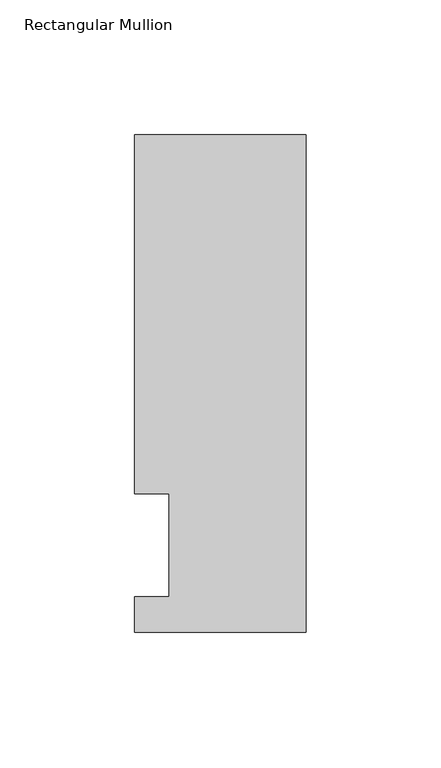
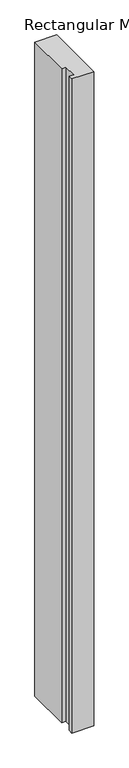
"""IFC4 building model written with IfcOpenShell, lengths in millimetres: member geometry, Rectangular Mullion."""

from ifc_helpers import new_model, si_unit, frame, origin, place, context, project, spatial, polyline, outline, extrude, source, transform, mapped, element, save


def rectangular_mullion_c94ba3d2(model_context):
    return source(origin(), model_context, "Body", "SweptSolid", [
        extrude(outline(polyline([(-19.05, 51.2960937), (-31.7500001, 51.2960938), (-31.7500001, 184.2396936), (31.7500001, 184.2396936), (31.7500001, 0.0134938), (-31.75, 0.0134938), (-31.75, 13.1960938), (-19.05, 13.1960938), (-19.05, 51.2960937)])), frame((0.0, 0.0, -1993.8872996), z_axis=(0.0, 0.0, 1.0), x_axis=(1.0, 0.0, 0.0)), (0.0, 0.0, 1.0), 1993.8872996),
    ])


if __name__ == "__main__":
    model = new_model("IFC4")
    model_context = context("Model", 3, world=origin())
    ifc_project = project(units=[si_unit("LENGTHUNIT", "METRE", prefix="MILLI")], contexts=[model_context])
    site = spatial("IfcSite", under=ifc_project)
    building = spatial("IfcBuilding", under=site)
    placement = place(None, origin())
    rectangular_mullion_shape = rectangular_mullion_c94ba3d2(model_context)
    element("IfcMember", 1, ObjectType="Rectangular Mullion", at=placement, inside=building, context=model_context, shape_type="MappedRepresentation", body=[
        mapped(rectangular_mullion_shape, transform((0.0, 0.0, 0.0), x_axis=(1.0, 0.0, 0.0), y_axis=(0.0, 1.0, 0.0), z_axis=(0.0, 0.0, 1.0))),
    ])
    save(model, "model.ifc")
